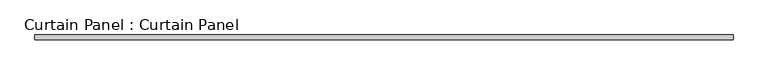
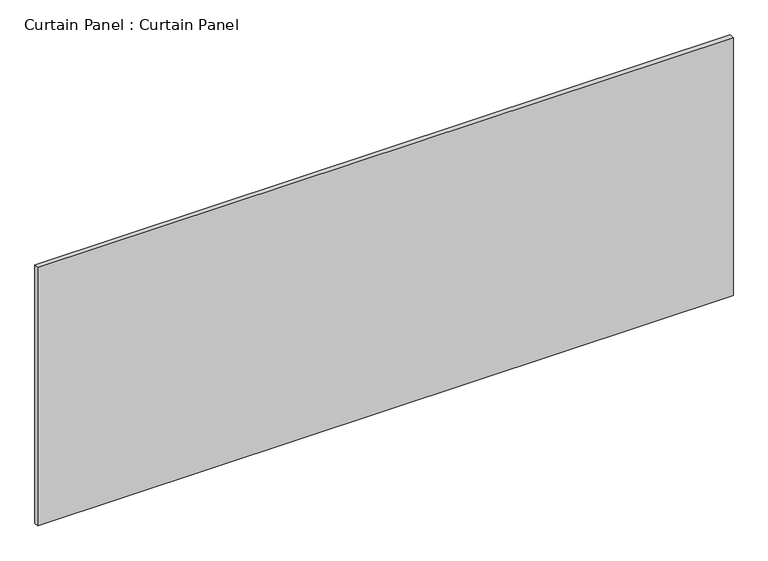
"""IFC4 building model written with IfcOpenShell, lengths in millimetres: plate geometry, Curtain Panel : Curtain Panel."""

import ifcopenshell
import ifcopenshell.guid

model = None  # the IFC model being written
_history = None  # IfcOwnerHistory: only IFC2X3 demands one
_inside = {}  # id of a spatial element -> (the spatial element, [elements in it])
_under = {}  # id of a project, library or spatial element -> (it, [spatial elements below it])
_declared = {}  # id of a project -> (the project, [libraries it declares])
_typed = {}  # id of a type object -> (the type object, [elements of that type])
_made_of = {}  # id of a material, layer set ... -> (it, [elements and type objects made of it])


def new_model(schema):
    """Start an empty IFC model of exactly this schema.

    Asked for "IFC4X3", IfcOpenShell would pick the latest addendum, in which some entities
    have other attributes; the version numbers below select the first issue.
    IFC2X3 requires an IfcOwnerHistory on every rooted entity: one is made here for all.
    """
    global model, _history
    if schema == "IFC4X3":
        model = ifcopenshell.file(schema_version=(4, 3, 0, 0))
    else:
        model = ifcopenshell.file(schema=schema)
    _inside.clear()
    _under.clear()
    _declared.clear()
    _typed.clear()
    _made_of.clear()
    _history = None
    if model.schema == "IFC2X3":
        org = make("IfcOrganization", Name="unknown")
        user = make(
            "IfcPersonAndOrganization",
            ThePerson=make("IfcPerson", FamilyName="unknown"),
            TheOrganization=org,
        )
        app = make(
            "IfcApplication",
            ApplicationDeveloper=org,
            Version="unknown",
            ApplicationFullName="unknown",
            ApplicationIdentifier="unknown",
        )
        _history = make(
            "IfcOwnerHistory",
            OwningUser=user,
            OwningApplication=app,
            ChangeAction="ADDED",
            CreationDate=0,
        )
    return model


def make(cls, **values):
    """One entity of the class cls with the attributes given. An attribute that is None is left unset."""
    return model.create_entity(
        cls, **{name: value for name, value in values.items() if value is not None}
    )


def rooted(cls, **values):
    """An entity with a GlobalId (a new one), such as an element, a storey or a relation."""
    return make(cls, GlobalId=ifcopenshell.guid.new(), OwnerHistory=_history, **values)


def si_unit(unit_type, name, prefix=None):
    """IfcSIUnit, for example si_unit("LENGTHUNIT", "METRE", prefix="MILLI")."""
    return make("IfcSIUnit", UnitType=unit_type, Prefix=prefix, Name=name)


def assignment(units):
    """IfcUnitAssignment: the units of a project."""
    return None if units is None else make("IfcUnitAssignment", Units=units)


def point(xyz):
    """IfcCartesianPoint."""
    return None if xyz is None else make("IfcCartesianPoint", Coordinates=xyz)


def direction(xyz):
    """IfcDirection."""
    return None if xyz is None else make("IfcDirection", DirectionRatios=xyz)


def frame(location, z_axis=None, x_axis=None):
    """IfcAxis2Placement3D, a coordinate frame: its origin and axes. An axis left out is left unset."""
    return make(
        "IfcAxis2Placement3D",
        Location=point(location),
        Axis=direction(z_axis),
        RefDirection=direction(x_axis),
    )


def origin():
    """The frame at (0, 0, 0) with its axes left unset."""
    return frame((0.0, 0.0, 0.0))


def place(relative_to, where):
    """IfcLocalPlacement: puts the frame where relative to a parent placement (None: the world)."""
    return make(
        "IfcLocalPlacement", PlacementRelTo=relative_to, RelativePlacement=where
    )


def context(
    kind, dimensions, precision=None, world=None, true_north=None, identifier=None
):
    """IfcGeometricRepresentationContext, for example the 3D "Model" context."""
    return make(
        "IfcGeometricRepresentationContext",
        ContextIdentifier=identifier,
        ContextType=kind,
        CoordinateSpaceDimension=dimensions,
        Precision=precision,
        WorldCoordinateSystem=world,
        TrueNorth=true_north,
    )


def project(units=None, contexts=None):
    """IfcProject with its units and contexts."""
    return rooted(
        "IfcProject",
        Name="project",
        RepresentationContexts=contexts,
        UnitsInContext=assignment(units),
    )


def spatial(cls, under=None, at=None, **own):
    """A site, building, storey or space (cls), placed at a placement, below another one or the project."""
    s = rooted(cls, ObjectPlacement=at, **own)
    if under is not None:
        _under.setdefault(under.id(), (under, []))[1].append(s)
    return s


def polyline(points):
    """IfcPolyline through the points."""
    return make("IfcPolyline", Points=[point(p) for p in points])


def outline(outer, holes=None, kind="AREA"):
    """IfcArbitraryClosedProfileDef: a profile drawn as a closed curve; with holes, ...WithVoids."""
    if holes is None:
        return make("IfcArbitraryClosedProfileDef", ProfileType=kind, OuterCurve=outer)
    return make(
        "IfcArbitraryProfileDefWithVoids",
        ProfileType=kind,
        OuterCurve=outer,
        InnerCurves=holes,
    )


def extrude(swept, where, along, depth):
    """IfcExtrudedAreaSolid: the profile swept, set in the frame where, extruded along a direction by depth."""
    return make(
        "IfcExtrudedAreaSolid",
        SweptArea=swept,
        Position=where,
        ExtrudedDirection=direction(along),
        Depth=depth,
    )


def shape(context_of_items, identifier, shape_type, items):
    """IfcShapeRepresentation: the items that make up one representation, for example the "Body"."""
    return make(
        "IfcShapeRepresentation",
        ContextOfItems=context_of_items,
        RepresentationIdentifier=identifier,
        RepresentationType=shape_type,
        Items=items,
    )


def source(mapping_origin, context_of_items, identifier, shape_type, items):
    """IfcRepresentationMap: a shape defined once, which mapped items show again and again."""
    return make(
        "IfcRepresentationMap",
        MappingOrigin=mapping_origin,
        MappedRepresentation=shape(context_of_items, identifier, shape_type, items),
    )


def transform(
    local_origin,
    x_axis=None,
    y_axis=None,
    z_axis=None,
    scale=None,
    scale2=None,
    scale3=None,
    uniform=True,
):
    """IfcCartesianTransformationOperator3D, or its non-uniform kind. x_axis, y_axis, z_axis: its Axis1, 2, 3."""
    if uniform:
        return make(
            "IfcCartesianTransformationOperator3D",
            Axis1=direction(x_axis),
            Axis2=direction(y_axis),
            LocalOrigin=point(local_origin),
            Scale=scale,
            Axis3=direction(z_axis),
        )
    return make(
        "IfcCartesianTransformationOperator3DnonUniform",
        Axis1=direction(x_axis),
        Axis2=direction(y_axis),
        LocalOrigin=point(local_origin),
        Scale=scale,
        Axis3=direction(z_axis),
        Scale2=scale2,
        Scale3=scale3,
    )


def mapped(mapping_source, mapping_target):
    """IfcMappedItem: shows the shape of a source again, moved by a transform."""
    return make(
        "IfcMappedItem", MappingSource=mapping_source, MappingTarget=mapping_target
    )


def made_of(thing, what):
    """Note that an element or type object is made of a material, layer set ...; save() writes the relation."""
    if what is not None:
        _made_of.setdefault(what.id(), (what, []))[1].append(thing)
    return thing


def element(
    cls,
    number,
    at=None,
    inside=None,
    cuts=None,
    type_object=None,
    material=None,
    context=None,
    identifier="Body",
    shape_type=None,
    held_by="IfcProductDefinitionShape",
    body=None,
    shapes=None,
    **own,
):
    """One element of the class cls, such as IfcWall. Its Tag is "e" and its number.

    at: its placement. inside: the storey or other place that contains it. cuts: it is an
    opening in that element (IfcRelVoidsElement). A single representation is given by context,
    identifier, shape_type and body (its items); several are given by shapes. held_by: the class
    of the entity that holds the representations. save() writes the other relations.
    """
    e = rooted(cls, Tag="e%d" % number, ObjectPlacement=at, **own)
    if body is not None:
        shapes = [shape(context, identifier, shape_type, body)]
    if shapes is not None:
        e.Representation = make(held_by, Representations=shapes)
    if inside is not None:
        _inside.setdefault(inside.id(), (inside, []))[1].append(e)
    if cuts is not None:
        rooted(
            "IfcRelVoidsElement", RelatingBuildingElement=cuts, RelatedOpeningElement=e
        )
    if type_object is not None:
        _typed.setdefault(type_object.id(), (type_object, []))[1].append(e)
    return made_of(e, material)


def aggregate(whole, parts):
    """IfcRelAggregates: a whole, such as a stair, and the parts it consists of."""
    return rooted("IfcRelAggregates", RelatingObject=whole, RelatedObjects=parts)


def save(model, path):
    """Write the relations noted so far, then the file.

    IfcRelAggregates (storeys below a building ...), IfcRelContainedInSpatialStructure (elements
    in a storey), IfcRelDefinesByType, IfcRelAssociatesMaterial and IfcRelDeclares: one each for
    every whole, place, type object, material and project.
    """
    for whole, parts in _under.values():
        aggregate(whole, parts)
    for where, things in _inside.values():
        rooted(
            "IfcRelContainedInSpatialStructure",
            RelatedElements=things,
            RelatingStructure=where,
        )
    for kind, things in _typed.values():
        rooted("IfcRelDefinesByType", RelatedObjects=things, RelatingType=kind)
    for what, things in _made_of.values():
        rooted("IfcRelAssociatesMaterial", RelatedObjects=things, RelatingMaterial=what)
    for by, libraries in _declared.values():
        rooted("IfcRelDeclares", RelatingContext=by, RelatedDefinitions=libraries)
    model.write(path)


def curtain_panel_curtain_panel_373a7dfa(model_context):
    return source(origin(), model_context, "Body", "SweptSolid", [
        extrude(outline(polyline([(-126800.3555895, -9130.4431787), (-130583.7717279, -9130.4431787), (-130583.7717279, -9105.0431787), (-126800.3555895, -9105.0431787), (-126800.3555895, -9130.4431787)])), frame((0.0, 0.0, 1593.453125), z_axis=(0.0, 0.0, 1.0), x_axis=(1.0, 0.0, 0.0)), (0.0, 0.0, 1.0), 1485.9),
    ])


if __name__ == "__main__":
    model = new_model("IFC4")
    model_context = context("Model", 3, world=origin())
    ifc_project = project(units=[si_unit("LENGTHUNIT", "METRE", prefix="MILLI")], contexts=[model_context])
    site = spatial("IfcSite", under=ifc_project)
    building = spatial("IfcBuilding", under=site)
    placement = place(None, origin())
    curtain_panel_curtain_panel_shape = curtain_panel_curtain_panel_373a7dfa(model_context)
    element("IfcPlate", 1, ObjectType="Curtain Panel : Curtain Panel", at=placement, inside=building, context=model_context, shape_type="MappedRepresentation", body=[
        mapped(curtain_panel_curtain_panel_shape, transform((0.0, 0.0, 0.0), x_axis=(1.0, 0.0, 0.0), y_axis=(0.0, 1.0, 0.0), z_axis=(0.0, 0.0, 1.0))),
    ])
    save(model, "model.ifc")
